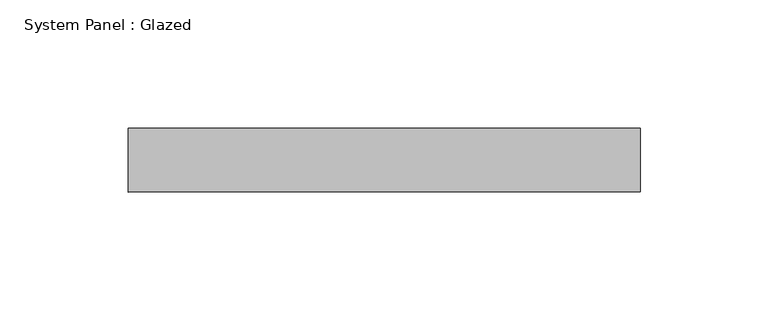
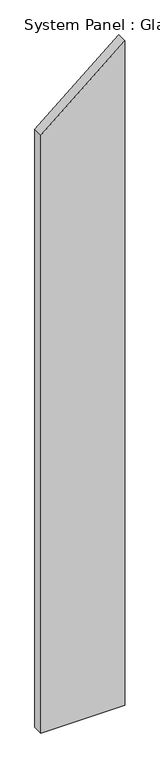
"""IFC4 building model written with IfcOpenShell, lengths in millimetres: plate geometry, System Panel : Glazed."""

from ifc_helpers import new_model, si_unit, frame, origin, place, context, project, spatial, polyline, outline, extrude, source, transform, mapped, element, save


def system_panel_glazed_c1bb1877(model_context):
    return source(origin(), model_context, "Body", "SweptSolid", [
        extrude(outline(polyline([(0.0, -100.0), (0.0, 100.0), (1678.1992626, 100.0), (1510.3793364, -100.0), (0.0, -100.0)])), frame((0.0, 24.5, 0.0), z_axis=(0.0, 1.0, 0.0), x_axis=(0.0, 0.0, 1.0)), (0.0, 0.0, 1.0), 25.0),
    ])


if __name__ == "__main__":
    model = new_model("IFC4")
    model_context = context("Model", 3, world=origin())
    ifc_project = project(units=[si_unit("LENGTHUNIT", "METRE", prefix="MILLI")], contexts=[model_context])
    site = spatial("IfcSite", under=ifc_project)
    building = spatial("IfcBuilding", under=site)
    placement = place(None, origin())
    system_panel_glazed_shape = system_panel_glazed_c1bb1877(model_context)
    element("IfcPlate", 1, ObjectType="System Panel : Glazed", at=placement, inside=building, context=model_context, shape_type="MappedRepresentation", body=[
        mapped(system_panel_glazed_shape, transform((0.0, 0.0, 0.0), x_axis=(1.0, 0.0, 0.0), y_axis=(0.0, 1.0, 0.0), z_axis=(0.0, 0.0, 1.0))),
    ])
    save(model, "model.ifc")
